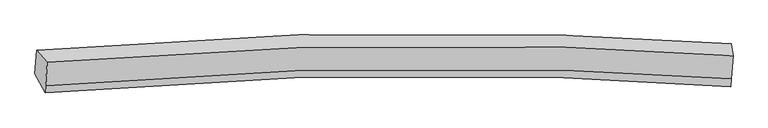
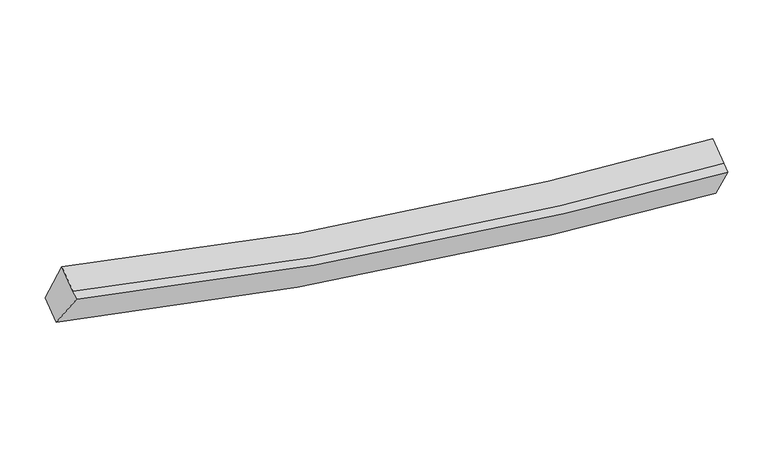
"""IFC4 building model written with IfcOpenShell, lengths in millimetres: proxy geometry."""

from ifc_helpers import new_model, si_unit, frame, origin, place, context, project, spatial, source, transform, mapped, element, save
from ifc_brep_helpers import plane_surface, spline_curve, spline_surface, advanced_brep


def generic_models_56515795(model_context):
    return source(origin(), model_context, "Body", "AdvancedBrep", [
        advanced_brep(
        [(-6883.779695, -1834.4318566, 4095.2553378), (-6693.2169637, -2048.233464, 4772.9873669), (5585.0067817, -1926.0121116, 2937.6414818), (5556.3969836, -1709.9982912, 2234.8858387), (-6722.8772478, -2463.1417582, 4544.3459121), (5555.4284578, -2339.7738893, 2709.6318322), (-6732.2502913, -2594.2582863, 4472.0921777), (5545.11811, -2484.0020701, 2630.1527243), (-6913.3475408, -2248.04706, 3867.3264602), (5525.9737937, -2135.5786309, 2000.3633927)],
        [
            (0, 1),
            (1, 2, spline_curve(3, [(-6693.2169637, -2048.233464, 4772.9873669), (-3640.578803669, -1770.140140837, 3860.717719693), (-545.739597288, -1679.745789895, 3288.417366801), (3584.968554577, -1807.871975044, 2982.494674339), (4582.870596503, -1857.525874398, 2943.013066088), (5585.0067817, -1926.0121116, 2937.6414818)], [4, 2, 4], [0.0, 31.26865032989319, 41.173098970711095])),
            (2, 3),
            (3, 0, spline_curve(3, [(5556.3969836, -1709.9982912, 2234.8858387), (4547.55897535, -1641.092074341, 2240.364686847), (3541.443347493, -1591.161895683, 2280.41043965), (-629.693375683, -1462.484577037, 2590.577561207), (-3770.303308147, -1553.892611014, 3170.654975465), (-6883.779695, -1834.4318566, 4095.2553378)], [4, 2, 4], [0.0, 9.904448640817904, 41.173098970711095])),
            (1, 4),
            (4, 5, spline_curve(3, [(-6722.8772478, -2463.1417582, 4544.3459121), (-3670.191019278, -2184.376024361, 3632.446806656), (-575.324492344, -2093.599501981, 3060.357054651), (3555.392312112, -2221.604632223, 2754.50107227), (4553.294354158, -2271.258531587, 2715.019463572), (5555.4284578, -2339.7738893, 2709.6318322)], [4, 2, 4], [0.0, 31.064445278246755, 40.90421129206])),
            (5, 2),
            (4, 6),
            (6, 7, spline_curve(3, [(-6732.2502913, -2594.2582863, 4472.0921777), (-3678.814973525, -2305.013775949, 3565.967559285), (-583.948446992, -2214.237253108, 2993.877808668), (3545.781992367, -2356.040347532, 2680.418249522), (4543.371599491, -2410.064798106, 2638.528183035), (5545.11811, -2484.0020701, 2630.1527243)], [4, 2, 4], [0.0, 31.064472501500624, 40.90424713836977])),
            (7, 5),
            (6, 8),
            (8, 9, spline_curve(3, [(-6913.3475408, -2248.04706, 3867.3264602), (-3799.073996149, -1956.356626607, 2948.871126913), (-658.436743937, -1864.566420583, 2369.004314864), (3511.722267063, -2006.920649777, 2051.300326242), (4517.525460043, -2061.221379123, 2008.846115466), (5525.9737937, -2135.5786309, 2000.3633927)], [4, 2, 4], [0.0, 31.26877671688598, 41.1732653912028])),
            (9, 7),
            (8, 0),
            (3, 9),
        ],
        [
            spline_surface(3, 3, [[(-6883.779695, -1834.4318566, 4095.2553378), (-3770.303308143, -1553.892610738, 3170.654975249), (-629.693376143, -1462.484576877, 2590.577561687), (3541.443347639, -1591.161895733, 2280.410439498), (4547.55897522, -1641.092074462, 2240.364686735), (5556.3969836, -1709.9982912, 2234.8858387)], [(-6820.258784562, -1905.699059085, 4321.166014148), (-3727.061806534, -1625.975120744, 3400.675889975), (-601.708783019, -1534.904981392, 2823.190829912), (3555.951749922, -1663.398588792, 2514.438517841), (4559.329515633, -1713.236674453, 2474.580813144), (5565.933582973, -1782.002898004, 2469.137719743)], [(-6756.737874138, -1976.966261515, 4547.076690552), (-3683.82030494, -1698.057630695, 3630.696804756), (-573.724189952, -1607.325385881, 3055.804098101), (3570.460152148, -1735.635281826, 2748.466596147), (4571.100056026, -1785.381274432, 2708.796939522), (5575.470182327, -1854.007504796, 2703.389600757)], [(-6693.2169637, -2048.233464, 4772.9873669), (-3640.578803332, -1770.140140702, 3860.717719482), (-545.739596828, -1679.745790396, 3288.417366326), (3584.968554431, -1807.871974885, 2982.49467449), (4582.870596438, -1857.525874423, 2943.01306593), (5585.0067817, -1926.0121116, 2937.6414818)]], [4, 4], [4, 2, 4], [0.0, 2.410321574701724], [0.0, 31.26865032989319, 41.173098970711095]),
            spline_surface(3, 3, [[(-6693.2169637, -2048.233464, 4772.9873669), (-3640.578803332, -1770.140140702, 3860.717719482), (-545.739596828, -1679.745790396, 3288.417366326), (3584.968554431, -1807.871974885, 2982.49467449), (4582.870596438, -1857.525874423, 2943.01306593), (5585.0067817, -1926.0121116, 2937.6414818)], [(-6703.103725095, -2186.536228745, 4696.773548649), (-3650.449542002, -1908.218768641, 3784.627415188), (-555.601228799, -1817.697027611, 3212.397262607), (3575.109807037, -1945.782860666, 2906.496807035), (4573.011849044, -1995.436760204, 2867.015198476), (5575.147340403, -2063.932704173, 2861.638265272)], [(-6712.990486405, -2324.838993455, 4620.559730351), (-3660.320280587, -2046.297396546, 3708.537110847), (-565.462860779, -1955.648264807, 3136.377158872), (3565.251059635, -2083.693746428, 2830.498939565), (4563.153101642, -2133.347645966, 2791.017331006), (5565.287899097, -2201.853296727, 2785.635048728)], [(-6722.8772478, -2463.1417582, 4544.3459121), (-3670.191019258, -2184.376024485, 3632.446806553), (-575.32449275, -2093.599502022, 3060.357055153), (3555.392312241, -2221.60463221, 2754.501072111), (4553.294354248, -2271.258531747, 2715.019463551), (5555.4284578, -2339.7738893, 2709.6318322)]], [4, 4], [4, 2, 4], [0.0, 1.5537270729287977], [0.0, 31.064445278246755, 40.90421129206]),
            spline_surface(3, 3, [[(-6722.8772478, -2463.1417582, 4544.3459121), (-3670.191019258, -2184.376024485, 3632.446806553), (-575.32449275, -2093.599502022, 3060.357055153), (3555.392312241, -2221.60463221, 2754.501072111), (4553.294354248, -2271.258531747, 2715.019463551), (5555.4284578, -2339.7738893, 2709.6318322)], [(-6726.001595627, -2506.847267536, 4520.261333956), (-3673.065670539, -2224.588608163, 3610.287057618), (-578.199144031, -2133.8120857, 3038.197306218), (3552.188872206, -2266.416537325, 2729.806797934), (4549.986769285, -2317.527287174, 2689.522370103), (5551.991675191, -2387.849949569, 2683.138796241)], [(-6729.125943473, -2550.552776964, 4496.176755844), (-3675.940321841, -2264.801191934, 3588.127308715), (-581.073795233, -2174.024669371, 3016.037557315), (3548.985432251, -2311.228442435, 2705.11252379), (4546.679184351, -2363.796042594, 2664.025276631), (5548.554892609, -2435.926009831, 2656.645760259)], [(-6732.2502913, -2594.2582863, 4472.0921777), (-3678.814973122, -2305.013775612, 3565.96755978), (-583.948446514, -2214.237253049, 2993.877808379), (3545.781992216, -2356.04034755, 2680.418249614), (4543.371599388, -2410.064798021, 2638.528183183), (5545.11811, -2484.0020701, 2630.1527243)]], [4, 4], [4, 2, 4], [0.0, 0.46558771047904357], [0.0, 31.064472501500624, 40.90424713836977]),
            spline_surface(3, 3, [[(-6732.2502913, -2594.2582863, 4472.0921777), (-3678.814973122, -2305.013775612, 3565.96755978), (-583.948446514, -2214.237253049, 2993.877808379), (3545.781992216, -2356.04034755, 2680.418249614), (4543.371599388, -2410.064798021, 2638.528183183), (5545.11811, -2484.0020701, 2630.1527243)], [(-6792.616041127, -2478.854544225, 4270.503605199), (-3718.901314119, -2188.794726015, 3360.268748901), (-608.777879027, -2097.680308945, 2785.586644002), (3534.428750543, -2239.667114901, 2470.712275119), (4534.756219587, -2293.783658439, 2428.634160622), (5538.736671238, -2367.860923706, 2420.222947104)], [(-6852.981790973, -2363.450802075, 4068.915032701), (-3758.987655136, -2072.575676345, 3154.569938025), (-633.607311616, -1981.123364936, 2577.295479618), (3523.075508796, -2123.293882348, 2261.006300617), (4526.140839772, -2177.502518842, 2218.740138049), (5532.355232462, -2251.719777294, 2210.293169896)], [(-6913.3475408, -2248.04706, 3867.3264602), (-3799.073996133, -1956.356626748, 2948.871127147), (-658.436744129, -1864.566420831, 2369.004315241), (3511.722267124, -2006.920649698, 2051.300326122), (4517.52545997, -2061.22137926, 2008.846115488), (5525.9737937, -2135.5786309, 2000.3633927)]], [4, 4], [4, 2, 4], [0.0, 2.3585295345472717], [0.0, 31.26877671688598, 41.1732653912028]),
            spline_surface(3, 3, [[(-6913.3475408, -2248.04706, 3867.3264602), (-3799.073996133, -1956.356626748, 2948.871127147), (-658.436744129, -1864.566420831, 2369.004315241), (3511.722267124, -2006.920649698, 2051.300326122), (4517.52545997, -2061.22137926, 2008.846115488), (5525.9737937, -2135.5786309, 2000.3633927)], [(-6903.491592189, -2110.17532551, 3943.302752747), (-3789.483766792, -1822.201954721, 3022.799076528), (-648.855621488, -1730.539139528, 2442.862064048), (3521.629293941, -1868.334398392, 2127.670363906), (4527.536631716, -1921.178277642, 2086.018972543), (5536.114856995, -1993.718517648, 2078.537541339)], [(-6893.635643611, -1972.30359109, 4019.279045253), (-3779.893537483, -1688.047282764, 3096.727025868), (-639.274498785, -1596.51185818, 2516.71981288), (3531.536320821, -1729.74814704, 2204.040401715), (4537.547803475, -1781.13517608, 2163.19182968), (5546.255920305, -1851.858404452, 2156.711690061)], [(-6883.779695, -1834.4318566, 4095.2553378), (-3770.303308143, -1553.892610738, 3170.654975249), (-629.693376143, -1462.484576877, 2590.577561687), (3541.443347639, -1591.161895733, 2280.410439498), (4547.55897522, -1641.092074462, 2240.364686735), (5556.3969836, -1709.9982912, 2234.8858387)]], [4, 4], [4, 2, 4], [0.0, 1.522335379266023], [0.0, 31.47288318296566, 41.442023256982075]),
            plane_surface(frame((5553.1239172, -2063.8977759, 2450.7608594), z_axis=(0.9976915294270211, -0.04184994855003307, -0.053480780808914566), x_axis=(-0.026589328174667942, 0.4839214433103403, -0.8747074049827502))),
            plane_surface(frame((-6805.6486227, -2181.2426667, 4301.9153356), z_axis=(-0.9658318067916359, -0.06867090004692354, 0.2499064394455444), x_axis=(-0.06248695653323683, -0.8741101867103362, -0.4816915628827585))),
        ],
        [
            (0, [[1, 2, 3, 4]]),
            (1, [[5, 6, 7, -2]]),
            (2, [[8, 9, 10, -6]]),
            (3, [[11, 12, 13, -9]]),
            (4, [[14, -4, 15, -12]]),
            (5, [[-13, -15, -3, -7, -10]]),
            (6, [[-14, -11, -8, -5, -1]]),
        ],
    ),
    ])


if __name__ == "__main__":
    model = new_model("IFC4")
    model_context = context("Model", 3, world=origin())
    ifc_project = project(units=[si_unit("LENGTHUNIT", "METRE", prefix="MILLI")], contexts=[model_context])
    site = spatial("IfcSite", under=ifc_project)
    building = spatial("IfcBuilding", under=site)
    placement = place(None, origin())
    generic_models_shape = generic_models_56515795(model_context)
    element("IfcBuildingElementProxy", 1, Name="Generic Models", at=placement, inside=building, context=model_context, shape_type="MappedRepresentation", body=[
        mapped(generic_models_shape, transform((0.0, 0.0, 0.0), x_axis=(1.0, 0.0, 0.0), y_axis=(0.0, 1.0, 0.0), z_axis=(0.0, 0.0, 1.0))),
    ])
    save(model, "model.ifc")
